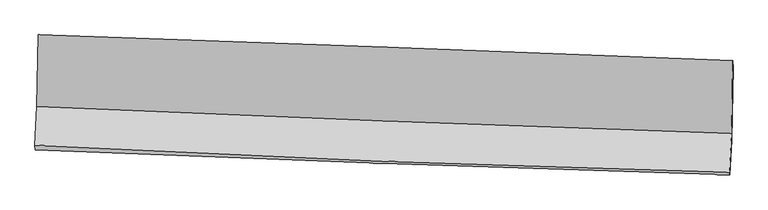
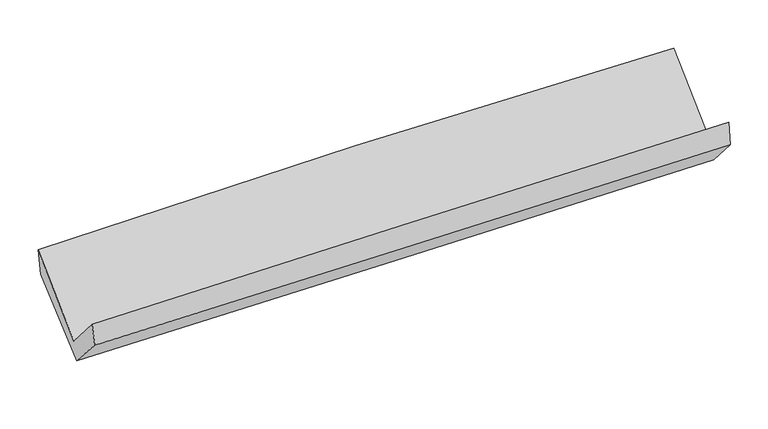
"""IFC4 building model written with IfcOpenShell, lengths in millimetres: proxy geometry."""

from ifc_helpers import new_model, si_unit, frame, origin, place, context, project, spatial, source, transform, mapped, element, save
from ifc_brep_helpers import plane_surface, spline_curve, spline_surface, advanced_brep


def generic_models_4fdbd3b4(model_context):
    return source(origin(), model_context, "Body", "AdvancedBrep", [
        advanced_brep(
        [(-2388.6326734, -1121.0692093, 2195.7717669), (-2399.2595548, -1616.7204854, 1756.1970254), (2386.0034526, -1803.1916264, 1819.2537033), (2395.0818796, -1299.6110285, 2265.6271419), (-2412.5776734, -1882.9887224, 2060.5662535), (2372.4705688, -2069.4372164, 2137.2939491), (-2411.6129618, -1917.1143435, 1909.8021888), (2374.5867602, -2087.8599739, 1965.6391972), (-2398.4688387, -1650.572185, 1618.4525796), (2386.4291085, -1850.0284942, 1697.1654822), (-2387.1647172, -1153.1286902, 2014.2395451), (2396.0841583, -1347.1658273, 2105.4995748)],
        [
            (0, 1),
            (1, 2, spline_curve(3, [(-2399.2595548, -1616.7204854, 1756.1970254), (-1602.022441424, -1652.59339383, 1775.653501217), (-804.630954741, -1686.069143306, 1790.636464482), (790.456716147, -1748.226165867, 1811.655311548), (1588.152898489, -1776.90746357, 1817.691241055), (2386.0034526, -1803.1916264, 1819.2537033)], [4, 2, 4], [0.0, 7.855295802504393, 15.710551713298813])),
            (2, 3),
            (3, 0, spline_curve(3, [(2395.0818796, -1299.6110285, 2265.6271419), (1597.653759419, -1266.588340695, 2270.020351135), (800.297832017, -1235.198545603, 2266.395709614), (-794.2736865, -1175.684589281, 2243.110666261), (-1591.489276583, -1147.560444737, 2223.450182618), (-2388.6326734, -1121.0692093, 2195.7717669)], [4, 2, 4], [0.0, 7.85525591079442, 15.710551713298813])),
            (1, 4),
            (4, 5, spline_curve(3, [(-2412.5776734, -1882.9887224, 2060.5662535), (-1615.633918284, -1925.44613237, 2085.266588859), (-818.407007249, -1962.212236878, 2104.01073234), (776.609076238, -2024.361677314, 2129.586570318), (1574.398245924, -2049.745070776, 2136.418325489), (2372.4705688, -2069.4372164, 2137.2939491)], [4, 2, 4], [0.0, 7.856746011793726, 15.713452124512852])),
            (5, 2),
            (4, 6),
            (6, 7, spline_curve(3, [(-2411.6129618, -1917.1143435, 1909.8021888), (-1614.024087109, -1948.718039264, 1918.786839032), (-816.378659794, -1978.748721638, 1927.932260186), (779.021248007, -2035.663916045, 1946.544597954), (1576.775728188, -2062.548443567, 1956.011512868), (2374.5867602, -2087.8599739, 1965.6391972)], [4, 2, 4], [0.0, 7.8568030159806845, 15.713566132597283])),
            (7, 5),
            (6, 8),
            (8, 9, spline_curve(3, [(-2398.4688387, -1650.572185, 1618.4525796), (-1600.670477265, -1677.390481131, 1623.624443166), (-803.028788758, -1707.421038575, 1632.769810465), (791.937192274, -1773.906507608, 1659.007484913), (1589.261486002, -1810.361386399, 1676.099752008), (2386.4291085, -1850.0284942, 1697.1654822)], [4, 2, 4], [0.0, 7.857010932472738, 15.713981964525523])),
            (9, 7),
            (8, 10),
            (10, 11, spline_curve(3, [(-2387.1647172, -1153.1286902, 2014.2395451), (-1590.2532631, -1192.11296162, 2034.003939032), (-793.19245047, -1227.774891732, 2051.491151994), (801.223842781, -1292.453903437, 2081.911138965), (1598.579322237, -1321.471019492, 2094.843935851), (2396.0841583, -1347.1658273, 2105.4995748)], [4, 2, 4], [0.0, 7.855785559246717, 15.711531224296321])),
            (11, 9),
            (10, 0),
            (3, 11),
        ],
        [
            spline_surface(3, 3, [[(-2388.6326734, -1121.0692093, 2195.7717669), (-1591.489276662, -1147.560444674, 2223.45018268), (-794.273686433, -1175.68458928, 2243.110666154), (800.29783195, -1235.198545604, 2266.395709721), (1597.653759421, -1266.588340719, 2270.020351243), (2395.0818796, -1299.6110285, 2265.6271419)], [(-2392.174967209, -1286.286301327, 2049.246853075), (-1595.000331611, -1315.904761076, 2074.184622227), (-797.726109151, -1345.812773956, 2092.285932213), (797.017460003, -1406.207752392, 2114.815576996), (1594.486805734, -1436.694714989, 2119.243981223), (2392.055737266, -1467.471227795, 2116.835995725)], [(-2395.717260991, -1451.503393373, 1902.721939225), (-1598.511386533, -1484.249077497, 1924.91906175), (-801.178531926, -1515.94095858, 1941.461198349), (793.737087997, -1577.216959129, 1963.235444348), (1591.319852048, -1606.801089274, 1968.467611129), (2389.029594934, -1635.331427105, 1968.044849475)], [(-2399.2595548, -1616.7204854, 1756.1970254), (-1602.022441482, -1652.593393899, 1775.653501297), (-804.630954644, -1686.069143256, 1790.636464407), (790.45671605, -1748.226165917, 1811.655311623), (1588.15289836, -1776.907463544, 1817.691241109), (2386.0034526, -1803.1916264, 1819.2537033)]], [4, 4], [4, 2, 4], [0.0, 2.2437315612649584], [0.0, 7.855295802504393, 15.710551713298813]),
            spline_surface(3, 3, [[(-2399.2595548, -1616.7204854, 1756.1970254), (-1602.022441482, -1652.593393899, 1775.653501297), (-804.630954644, -1686.069143256, 1790.636464407), (790.45671605, -1748.226165917, 1811.655311623), (1588.15289836, -1776.907463544, 1817.691241109), (2386.0034526, -1803.1916264, 1819.2537033)], [(-2403.698927666, -1705.476564403, 1857.65343476), (-1606.559600421, -1743.544306761, 1878.857863824), (-809.222972223, -1778.116841173, 1895.094553719), (785.840836116, -1840.271336342, 1917.63239788), (1583.568014275, -1867.853332574, 1923.933602547), (2381.49249136, -1891.940156383, 1925.267118555)], [(-2408.138300534, -1794.232643397, 1959.10984414), (-1611.09675936, -1834.495219615, 1982.062226373), (-813.814989741, -1870.164539087, 1999.552642991), (781.224956242, -1932.316506763, 2023.609484098), (1578.98313011, -1958.799201655, 2030.175964021), (2376.98153004, -1980.688686417, 2031.280533845)], [(-2412.5776734, -1882.9887224, 2060.5662535), (-1615.633918299, -1925.446132477, 2085.2665889), (-818.40700732, -1962.212237004, 2104.010732303), (776.609076308, -2024.361677188, 2129.586570355), (1574.398246025, -2049.745070685, 2136.418325459), (2372.4705688, -2069.4372164, 2137.2939491)]], [4, 4], [4, 2, 4], [0.0, 1.376703678668381], [0.0, 7.856746011793726, 15.713452124512852]),
            spline_surface(3, 3, [[(-2412.5776734, -1882.9887224, 2060.5662535), (-1615.633918299, -1925.446132477, 2085.2665889), (-818.40700732, -1962.212237004, 2104.010732303), (776.609076308, -2024.361677188, 2129.586570355), (1574.398246025, -2049.745070685, 2136.418325459), (2372.4705688, -2069.4372164, 2137.2939491)], [(-2412.256102847, -1894.363929422, 2010.311565266), (-1615.097307843, -1933.203434719, 2029.773338905), (-817.730891475, -1967.724398579, 2045.317908265), (777.413133573, -2028.129090092, 2068.572579562), (1575.190740089, -2054.012861641, 2076.282721244), (2373.175965916, -2075.578135581, 2080.075698473)], [(-2411.934532353, -1905.739136478, 1960.056877034), (-1614.560697445, -1940.960736993, 1974.280088912), (-817.054775683, -1973.236560181, 1986.625084215), (778.217190786, -2031.896503023, 2007.558588757), (1575.983234206, -2058.280652554, 2016.147117009), (2373.881363084, -2081.719054719, 2022.857447827)], [(-2411.6129618, -1917.1143435, 1909.8021888), (-1614.024086989, -1948.718039234, 1918.786838917), (-816.378659838, -1978.748721756, 1927.932260176), (779.021248052, -2035.663915927, 1946.544597964), (1576.775728271, -2062.548443511, 1956.011512795), (2374.5867602, -2087.8599739, 1965.6391972)]], [4, 4], [4, 2, 4], [0.0, 0.5909205757529568], [0.0, 7.8568030159806845, 15.713566132597283]),
            spline_surface(3, 3, [[(-2411.6129618, -1917.1143435, 1909.8021888), (-1614.024086989, -1948.718039234, 1918.786838917), (-816.378659838, -1978.748721756, 1927.932260176), (779.021248052, -2035.663915927, 1946.544597964), (1576.775728271, -2062.548443511, 1956.011512795), (2374.5867602, -2087.8599739, 1965.6391972)], [(-2407.23158745, -1828.266957331, 1812.685652429), (-1609.572883721, -1858.275519844, 1820.399373721), (-811.928702793, -1888.306160687, 1829.544776912), (783.326562736, -1948.411446485, 1850.698893619), (1580.937647541, -1978.486091175, 1862.70759253), (2378.534209637, -2008.582814012, 1876.147958864)], [(-2402.85021305, -1739.419571169, 1715.569115971), (-1605.121680404, -1767.833000461, 1722.011908437), (-807.478745692, -1797.863599633, 1731.15729368), (787.631877478, -1861.158977059, 1754.853189307), (1585.0995668, -1894.423738804, 1769.403672274), (2382.481659063, -1929.305654088, 1786.656720536)], [(-2398.4688387, -1650.572185, 1618.4525796), (-1600.670477137, -1677.390481071, 1623.624443242), (-803.028788647, -1707.421038564, 1632.769810416), (791.937192163, -1773.906507618, 1659.007484962), (1589.26148607, -1810.361386468, 1676.09975201), (2386.4291085, -1850.0284942, 1697.1654822)]], [4, 4], [4, 2, 4], [0.0, 1.2962520010336522], [0.0, 7.857010932472738, 15.713981964525523]),
            spline_surface(3, 3, [[(-2398.4688387, -1650.572185, 1618.4525796), (-1600.670477137, -1677.390481071, 1623.624443242), (-803.028788647, -1707.421038564, 1632.769810416), (791.937192163, -1773.906507618, 1659.007484962), (1589.26148607, -1810.361386468, 1676.09975201), (2386.4291085, -1850.0284942, 1697.1654822)], [(-2394.700798196, -1484.757686759, 1750.381568078), (-1597.198072428, -1515.631307983, 1760.417608501), (-799.750009243, -1547.538989579, 1772.34359097), (795.032742411, -1613.422306263, 1799.975369595), (1592.367431429, -1647.397930765, 1815.681146587), (2389.647458425, -1682.40760522, 1833.276846399)], [(-2390.932757704, -1318.943188441, 1882.310556622), (-1593.725667732, -1353.872134818, 1897.210773826), (-796.471229919, -1387.656940597, 1911.917371535), (798.128292578, -1452.938104912, 1940.943254238), (1595.473376811, -1484.434475102, 1955.262541169), (2392.865808375, -1514.78671628, 1969.388210601)], [(-2387.1647172, -1153.1286902, 2014.2395451), (-1590.253263024, -1192.112961731, 2034.003939085), (-793.192450514, -1227.774891612, 2051.491152089), (801.223842826, -1292.453903557, 2081.91113887), (1598.57932217, -1321.471019399, 2094.843935747), (2396.0841583, -1347.1658273, 2105.4995748)]], [4, 4], [4, 2, 4], [0.0, 2.0958950997583545], [0.0, 7.855785559246717, 15.711531224296321]),
            spline_surface(3, 3, [[(-2387.1647172, -1153.1286902, 2014.2395451), (-1590.253263024, -1192.112961731, 2034.003939085), (-793.192450514, -1227.774891612, 2051.491152089), (801.223842826, -1292.453903557, 2081.91113887), (1598.57932217, -1321.471019399, 2094.843935747), (2396.0841583, -1347.1658273, 2105.4995748)], [(-2387.654035932, -1142.442196559, 2074.750285693), (-1590.665267569, -1177.262122704, 2097.152686943), (-793.552862512, -1210.411457498, 2115.364323468), (800.915172509, -1273.368784236, 2143.405995844), (1598.270801249, -1303.176793182, 2153.23607423), (2395.750065395, -1331.31422771, 2158.875430484)], [(-2388.143354668, -1131.755702941, 2135.261026307), (-1591.077272117, -1162.411283701, 2160.301434822), (-793.913274435, -1193.048023394, 2179.237494775), (800.606502267, -1254.283664925, 2204.900852747), (1597.962280342, -1284.882566936, 2211.62821276), (2395.415972505, -1315.46262809, 2212.251286216)], [(-2388.6326734, -1121.0692093, 2195.7717669), (-1591.489276662, -1147.560444674, 2223.45018268), (-794.273686433, -1175.68458928, 2243.110666154), (800.29783195, -1235.198545604, 2266.395709721), (1597.653759421, -1266.588340719, 2270.020351243), (2395.0818796, -1299.6110285, 2265.6271419)]], [4, 4], [4, 2, 4], [0.0, 0.6425230028692958], [0.0, 7.85416603195188, 15.708292177931124]),
            plane_surface(frame((2385.1093213, -1742.8823611, 1998.4131748), z_axis=(0.9993643891352515, -0.031979307932164754, 0.01575251067307131), x_axis=(0.014903374401187858, 0.7762104568426671, 0.6302977202239876))),
            plane_surface(frame((-2399.6194032, -1556.9322726, 1925.8382265), z_axis=(-0.9993261231124638, 0.03390251318358193, -0.014068378188334361), x_axis=(0.007962994328798888, -0.17390809439830254, -0.9847296915519866))),
        ],
        [
            (0, [[1, 2, 3, 4]]),
            (1, [[5, 6, 7, -2]]),
            (2, [[8, 9, 10, -6]]),
            (3, [[11, 12, 13, -9]]),
            (4, [[14, 15, 16, -12]]),
            (5, [[17, -4, 18, -15]]),
            (6, [[-16, -18, -3, -7, -10, -13]]),
            (7, [[-17, -14, -11, -8, -5, -1]]),
        ],
    ),
    ])


if __name__ == "__main__":
    model = new_model("IFC4")
    model_context = context("Model", 3, world=origin())
    ifc_project = project(units=[si_unit("LENGTHUNIT", "METRE", prefix="MILLI")], contexts=[model_context])
    site = spatial("IfcSite", under=ifc_project)
    building = spatial("IfcBuilding", under=site)
    placement = place(None, origin())
    generic_models_shape = generic_models_4fdbd3b4(model_context)
    element("IfcBuildingElementProxy", 1, Name="Generic Models", at=placement, inside=building, context=model_context, shape_type="MappedRepresentation", body=[
        mapped(generic_models_shape, transform((0.0, 0.0, 0.0), x_axis=(1.0, 0.0, 0.0), y_axis=(0.0, 1.0, 0.0), z_axis=(0.0, 0.0, 1.0))),
    ])
    save(model, "model.ifc")
